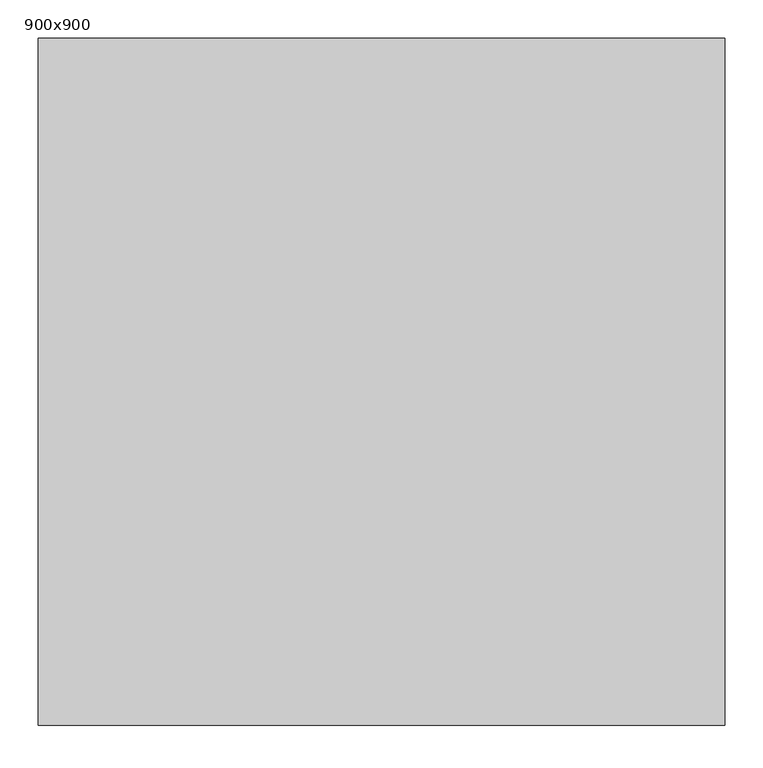
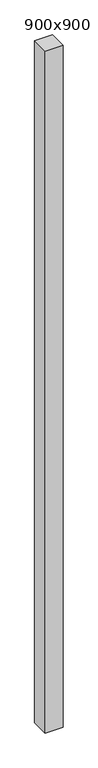
"""IFC4 building model written with IfcOpenShell, lengths in millimetres: column geometry, 900x900."""

from ifc_helpers import new_model, si_unit, frame, origin, place, context, project, spatial, polyline, outline, extrude, source, transform, mapped, element, save


def column_900x900_790a040f(model_context):
    return source(origin(), model_context, "Body", "SweptSolid", [
        extrude(outline(polyline([(450.0, -450.0), (-450.0, -450.0), (-450.0, 450.0), (450.0, 450.0), (450.0, -450.0)])), frame((0.0, 0.0, -3500.0), z_axis=(0.0, 0.0, 1.0), x_axis=(1.0, 0.0, 0.0)), (0.0, 0.0, 1.0), 36100.0),
    ])


if __name__ == "__main__":
    model = new_model("IFC4")
    model_context = context("Model", 3, world=origin())
    ifc_project = project(units=[si_unit("LENGTHUNIT", "METRE", prefix="MILLI")], contexts=[model_context])
    site = spatial("IfcSite", under=ifc_project)
    building = spatial("IfcBuilding", under=site)
    placement = place(None, origin())
    column_900x900_shape = column_900x900_790a040f(model_context)
    element("IfcColumn", 1, ObjectType="900x900", at=placement, inside=building, context=model_context, shape_type="MappedRepresentation", body=[
        mapped(column_900x900_shape, transform((0.0, 0.0, 0.0), x_axis=(1.0, 0.0, 0.0), y_axis=(0.0, 1.0, 0.0), z_axis=(0.0, 0.0, 1.0))),
    ])
    save(model, "model.ifc")
